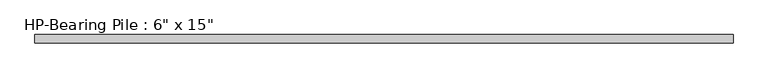
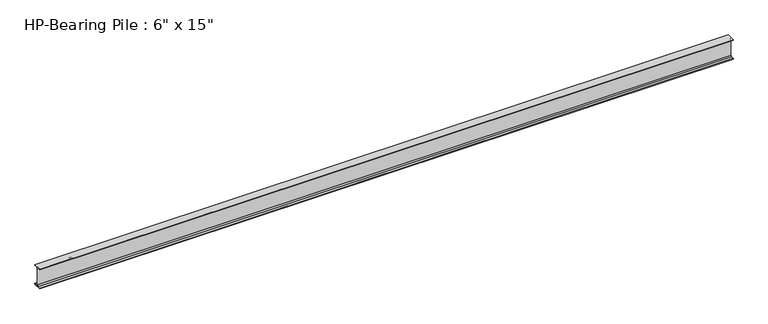
"""IFC4 building model written with IfcOpenShell, lengths in millimetres: beam geometry."""

import ifcopenshell
import ifcopenshell.guid

model = None  # the IFC model being written
_history = None  # IfcOwnerHistory: only IFC2X3 demands one
_inside = {}  # id of a spatial element -> (the spatial element, [elements in it])
_under = {}  # id of a project, library or spatial element -> (it, [spatial elements below it])
_declared = {}  # id of a project -> (the project, [libraries it declares])
_typed = {}  # id of a type object -> (the type object, [elements of that type])
_made_of = {}  # id of a material, layer set ... -> (it, [elements and type objects made of it])


def new_model(schema):
    """Start an empty IFC model of exactly this schema.

    Asked for "IFC4X3", IfcOpenShell would pick the latest addendum, in which some entities
    have other attributes; the version numbers below select the first issue.
    IFC2X3 requires an IfcOwnerHistory on every rooted entity: one is made here for all.
    """
    global model, _history
    if schema == "IFC4X3":
        model = ifcopenshell.file(schema_version=(4, 3, 0, 0))
    else:
        model = ifcopenshell.file(schema=schema)
    _inside.clear()
    _under.clear()
    _declared.clear()
    _typed.clear()
    _made_of.clear()
    _history = None
    if model.schema == "IFC2X3":
        org = make("IfcOrganization", Name="unknown")
        user = make(
            "IfcPersonAndOrganization",
            ThePerson=make("IfcPerson", FamilyName="unknown"),
            TheOrganization=org,
        )
        app = make(
            "IfcApplication",
            ApplicationDeveloper=org,
            Version="unknown",
            ApplicationFullName="unknown",
            ApplicationIdentifier="unknown",
        )
        _history = make(
            "IfcOwnerHistory",
            OwningUser=user,
            OwningApplication=app,
            ChangeAction="ADDED",
            CreationDate=0,
        )
    return model


def make(cls, **values):
    """One entity of the class cls with the attributes given. An attribute that is None is left unset."""
    return model.create_entity(
        cls, **{name: value for name, value in values.items() if value is not None}
    )


def rooted(cls, **values):
    """An entity with a GlobalId (a new one), such as an element, a storey or a relation."""
    return make(cls, GlobalId=ifcopenshell.guid.new(), OwnerHistory=_history, **values)


def si_unit(unit_type, name, prefix=None):
    """IfcSIUnit, for example si_unit("LENGTHUNIT", "METRE", prefix="MILLI")."""
    return make("IfcSIUnit", UnitType=unit_type, Prefix=prefix, Name=name)


def assignment(units):
    """IfcUnitAssignment: the units of a project."""
    return None if units is None else make("IfcUnitAssignment", Units=units)


def point(xyz):
    """IfcCartesianPoint."""
    return None if xyz is None else make("IfcCartesianPoint", Coordinates=xyz)


def direction(xyz):
    """IfcDirection."""
    return None if xyz is None else make("IfcDirection", DirectionRatios=xyz)


def frame(location, z_axis=None, x_axis=None):
    """IfcAxis2Placement3D, a coordinate frame: its origin and axes. An axis left out is left unset."""
    return make(
        "IfcAxis2Placement3D",
        Location=point(location),
        Axis=direction(z_axis),
        RefDirection=direction(x_axis),
    )


def frame_2d(location, x_axis=None):
    """IfcAxis2Placement2D, a coordinate frame in the plane: its origin and x axis."""
    return make(
        "IfcAxis2Placement2D", Location=point(location), RefDirection=direction(x_axis)
    )


def origin():
    """The frame at (0, 0, 0) with its axes left unset."""
    return frame((0.0, 0.0, 0.0))


def place(relative_to, where):
    """IfcLocalPlacement: puts the frame where relative to a parent placement (None: the world)."""
    return make(
        "IfcLocalPlacement", PlacementRelTo=relative_to, RelativePlacement=where
    )


def context(
    kind, dimensions, precision=None, world=None, true_north=None, identifier=None
):
    """IfcGeometricRepresentationContext, for example the 3D "Model" context."""
    return make(
        "IfcGeometricRepresentationContext",
        ContextIdentifier=identifier,
        ContextType=kind,
        CoordinateSpaceDimension=dimensions,
        Precision=precision,
        WorldCoordinateSystem=world,
        TrueNorth=true_north,
    )


def project(units=None, contexts=None):
    """IfcProject with its units and contexts."""
    return rooted(
        "IfcProject",
        Name="project",
        RepresentationContexts=contexts,
        UnitsInContext=assignment(units),
    )


def spatial(cls, under=None, at=None, **own):
    """A site, building, storey or space (cls), placed at a placement, below another one or the project."""
    s = rooted(cls, ObjectPlacement=at, **own)
    if under is not None:
        _under.setdefault(under.id(), (under, []))[1].append(s)
    return s


def polyline(points):
    """IfcPolyline through the points."""
    return make("IfcPolyline", Points=[point(p) for p in points])


def circle_curve(where, radius):
    """IfcCircle in the frame where."""
    return make("IfcCircle", Position=where, Radius=radius)


def trimmed(basis, trim1, trim2, sense, master):
    """IfcTrimmedCurve: the piece of a basis curve between two trims."""
    return make(
        "IfcTrimmedCurve",
        BasisCurve=basis,
        Trim1=trim1,
        Trim2=trim2,
        SenseAgreement=sense,
        MasterRepresentation=master,
    )


def segment(curve, same_sense, transition):
    """IfcCompositeCurveSegment."""
    return make(
        "IfcCompositeCurveSegment",
        Transition=transition,
        SameSense=same_sense,
        ParentCurve=curve,
    )


def composite_curve(segments, self_intersect=None):
    """IfcCompositeCurve: segments joined end to end."""
    return make("IfcCompositeCurve", Segments=segments, SelfIntersect=self_intersect)


def outline(outer, holes=None, kind="AREA"):
    """IfcArbitraryClosedProfileDef: a profile drawn as a closed curve; with holes, ...WithVoids."""
    if holes is None:
        return make("IfcArbitraryClosedProfileDef", ProfileType=kind, OuterCurve=outer)
    return make(
        "IfcArbitraryProfileDefWithVoids",
        ProfileType=kind,
        OuterCurve=outer,
        InnerCurves=holes,
    )


def extrude(swept, where, along, depth):
    """IfcExtrudedAreaSolid: the profile swept, set in the frame where, extruded along a direction by depth."""
    return make(
        "IfcExtrudedAreaSolid",
        SweptArea=swept,
        Position=where,
        ExtrudedDirection=direction(along),
        Depth=depth,
    )


def shape(context_of_items, identifier, shape_type, items):
    """IfcShapeRepresentation: the items that make up one representation, for example the "Body"."""
    return make(
        "IfcShapeRepresentation",
        ContextOfItems=context_of_items,
        RepresentationIdentifier=identifier,
        RepresentationType=shape_type,
        Items=items,
    )


def source(mapping_origin, context_of_items, identifier, shape_type, items):
    """IfcRepresentationMap: a shape defined once, which mapped items show again and again."""
    return make(
        "IfcRepresentationMap",
        MappingOrigin=mapping_origin,
        MappedRepresentation=shape(context_of_items, identifier, shape_type, items),
    )


def transform(
    local_origin,
    x_axis=None,
    y_axis=None,
    z_axis=None,
    scale=None,
    scale2=None,
    scale3=None,
    uniform=True,
):
    """IfcCartesianTransformationOperator3D, or its non-uniform kind. x_axis, y_axis, z_axis: its Axis1, 2, 3."""
    if uniform:
        return make(
            "IfcCartesianTransformationOperator3D",
            Axis1=direction(x_axis),
            Axis2=direction(y_axis),
            LocalOrigin=point(local_origin),
            Scale=scale,
            Axis3=direction(z_axis),
        )
    return make(
        "IfcCartesianTransformationOperator3DnonUniform",
        Axis1=direction(x_axis),
        Axis2=direction(y_axis),
        LocalOrigin=point(local_origin),
        Scale=scale,
        Axis3=direction(z_axis),
        Scale2=scale2,
        Scale3=scale3,
    )


def mapped(mapping_source, mapping_target):
    """IfcMappedItem: shows the shape of a source again, moved by a transform."""
    return make(
        "IfcMappedItem", MappingSource=mapping_source, MappingTarget=mapping_target
    )


def made_of(thing, what):
    """Note that an element or type object is made of a material, layer set ...; save() writes the relation."""
    if what is not None:
        _made_of.setdefault(what.id(), (what, []))[1].append(thing)
    return thing


def element(
    cls,
    number,
    at=None,
    inside=None,
    cuts=None,
    type_object=None,
    material=None,
    context=None,
    identifier="Body",
    shape_type=None,
    held_by="IfcProductDefinitionShape",
    body=None,
    shapes=None,
    **own,
):
    """One element of the class cls, such as IfcWall. Its Tag is "e" and its number.

    at: its placement. inside: the storey or other place that contains it. cuts: it is an
    opening in that element (IfcRelVoidsElement). A single representation is given by context,
    identifier, shape_type and body (its items); several are given by shapes. held_by: the class
    of the entity that holds the representations. save() writes the other relations.
    """
    e = rooted(cls, Tag="e%d" % number, ObjectPlacement=at, **own)
    if body is not None:
        shapes = [shape(context, identifier, shape_type, body)]
    if shapes is not None:
        e.Representation = make(held_by, Representations=shapes)
    if inside is not None:
        _inside.setdefault(inside.id(), (inside, []))[1].append(e)
    if cuts is not None:
        rooted(
            "IfcRelVoidsElement", RelatingBuildingElement=cuts, RelatedOpeningElement=e
        )
    if type_object is not None:
        _typed.setdefault(type_object.id(), (type_object, []))[1].append(e)
    return made_of(e, material)


def aggregate(whole, parts):
    """IfcRelAggregates: a whole, such as a stair, and the parts it consists of."""
    return rooted("IfcRelAggregates", RelatingObject=whole, RelatedObjects=parts)


def save(model, path):
    """Write the relations noted so far, then the file.

    IfcRelAggregates (storeys below a building ...), IfcRelContainedInSpatialStructure (elements
    in a storey), IfcRelDefinesByType, IfcRelAssociatesMaterial and IfcRelDeclares: one each for
    every whole, place, type object, material and project.
    """
    for whole, parts in _under.values():
        aggregate(whole, parts)
    for where, things in _inside.values():
        rooted(
            "IfcRelContainedInSpatialStructure",
            RelatedElements=things,
            RelatingStructure=where,
        )
    for kind, things in _typed.values():
        rooted("IfcRelDefinesByType", RelatedObjects=things, RelatingType=kind)
    for what, things in _made_of.values():
        rooted("IfcRelAssociatesMaterial", RelatedObjects=things, RelatingMaterial=what)
    for by, libraries in _declared.values():
        rooted("IfcRelDeclares", RelatingContext=by, RelatedDefinitions=libraries)
    model.write(path)


def beam_c2a9d4db(model_context):
    return source(origin(), model_context, "Body", "SweptSolid", [
        extrude(outline(composite_curve([segment(polyline([(76.2, -177.403125), (76.2, -190.5), (-76.2, -190.5), (-76.2, -177.403125), (-25.2015625, -177.403125)]), True, "CONTINUOUS"), segment(trimmed(circle_curve(frame_2d((-25.2015625, -158.75)), 18.653125), [point((-25.2015625, -177.403125))], [point((-6.5484375, -158.75))], True, "CARTESIAN"), True, "CONTINUOUS"), segment(polyline([(-6.5484375, -158.75), (-6.5484375, 158.75)]), True, "CONTINUOUS"), segment(trimmed(circle_curve(frame_2d((-25.2015625, 158.75)), 18.653125), [point((-6.5484375, 158.75))], [point((-25.2015625, 177.403125))], True, "CARTESIAN"), True, "CONTINUOUS"), segment(polyline([(-25.2015625, 177.403125), (-76.2, 177.403125), (-76.2, 190.5), (76.2, 190.5), (76.2, 177.403125), (25.2015625, 177.403125)]), True, "CONTINUOUS"), segment(trimmed(circle_curve(frame_2d((25.2015625, 158.75)), 18.653125), [point((25.2015625, 177.403125))], [point((6.5484375, 158.75))], True, "CARTESIAN"), True, "CONTINUOUS"), segment(polyline([(6.5484375, 158.75), (6.5484375, -158.75)]), True, "CONTINUOUS"), segment(trimmed(circle_curve(frame_2d((25.2015625, -158.75)), 18.653125), [point((6.5484375, -158.75))], [point((25.2015625, -177.403125))], True, "CARTESIAN"), True, "CONTINUOUS"), segment(polyline([(25.2015625, -177.403125), (76.2, -177.403125)]), True, "CONTINUOUS")], self_intersect=False)), frame((-6406.7567084, 0.0, 0.0), z_axis=(1.0, 0.0, 0.0), x_axis=(0.0, 1.0, 0.0)), (0.0, 0.0, 1.0), 12813.5134168),
    ])


if __name__ == "__main__":
    model = new_model("IFC4")
    model_context = context("Model", 3, world=origin())
    ifc_project = project(units=[si_unit("LENGTHUNIT", "METRE", prefix="MILLI")], contexts=[model_context])
    site = spatial("IfcSite", under=ifc_project)
    building = spatial("IfcBuilding", under=site)
    placement = place(None, origin())
    beam_shape = beam_c2a9d4db(model_context)
    element("IfcBeam", 1, ObjectType="HP-Bearing Pile : 6\" x 15\"", at=placement, inside=building, context=model_context, shape_type="MappedRepresentation", body=[
        mapped(beam_shape, transform((0.0, 0.0, 0.0), x_axis=(1.0, 0.0, 0.0), y_axis=(0.0, 1.0, 0.0), z_axis=(0.0, 0.0, 1.0))),
    ])
    save(model, "model.ifc")
